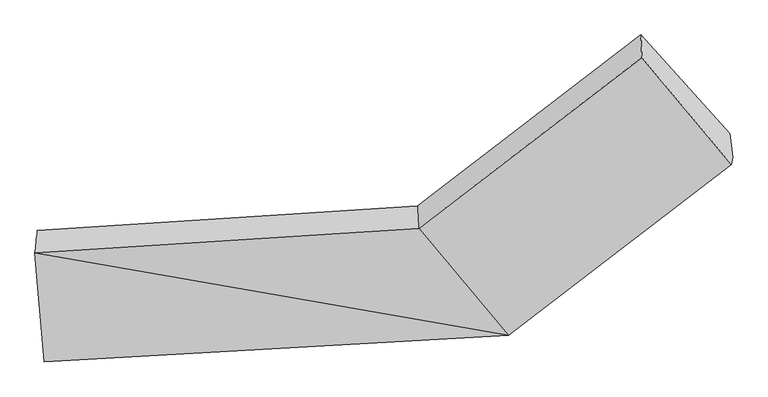
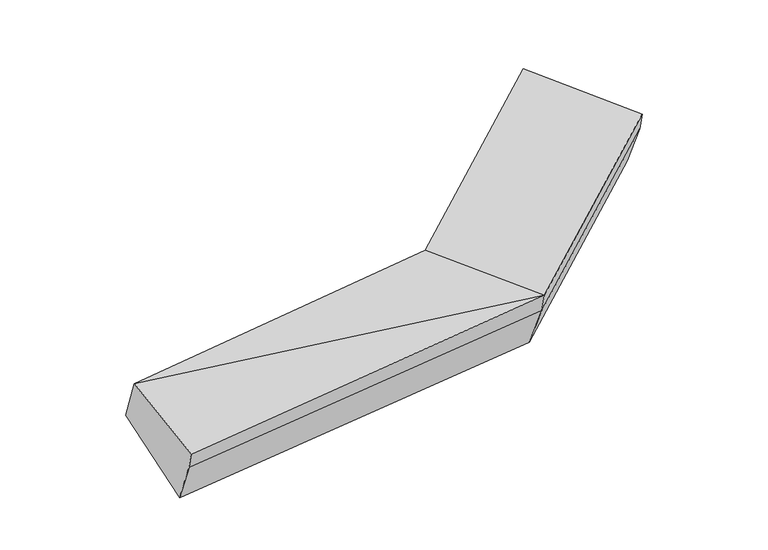
"""IFC4 building model written with IfcOpenShell, lengths in millimetres: proxy geometry."""

from ifc_helpers import new_model, si_unit, frame, origin, place, context, project, spatial, source, transform, mapped, element, save
from ifc_brep_helpers import plane_surface, spline_surface, advanced_brep


def generic_models_b6bdef5c(model_context):
    return source(origin(), model_context, "Body", "AdvancedBrep", [
        advanced_brep(
        [(-2234.0452024, -1696.5303939, 1619.8476285), (-2249.1871246, -1835.6849302, 1970.004007), (128.6066419, -1682.7446501, 2155.3711171), (121.0691348, -1542.0756496, 1792.6822826), (-2190.8672088, -2510.2534057, 1773.5831341), (682.8303903, -2345.3036932, 1987.2891396), (-2184.1632531, -2470.6246111, 1639.4764019), (690.5362507, -2299.752384, 1833.1401856), (-2169.7116271, -2318.5012364, 1286.9006092), (674.4047659, -2152.7496238, 1483.9801987), (2072.6733719, -1240.5404063, 2215.2319643), (2056.5418871, -1093.5376462, 1866.0719774), (1503.2062561, -482.863672, 2174.7740613), (1510.7437631, -623.5326725, 2537.4628958), (2064.9675115, -1286.0917156, 2369.3809183)],
        [
            (0, 1),
            (1, 2),
            (2, 3),
            (3, 0),
            (1, 4),
            (4, 5),
            (5, 1),
            (4, 6),
            (6, 7),
            (7, 5),
            (6, 8),
            (8, 9),
            (9, 7),
            (8, 0),
            (3, 9),
            (10, 11),
            (11, 12),
            (12, 13),
            (13, 14),
            (14, 10),
            (5, 2),
            (9, 11),
            (10, 7),
            (3, 12),
            (2, 13),
            (5, 14),
        ],
        [
            spline_surface(1, 1, [[(-2234.0452024, -1696.5303939, 1619.8476285), (121.0691348, -1542.0756496, 1792.6822826)], [(-2249.1871246, -1835.6849302, 1970.004007), (128.6066419, -1682.7446501, 2155.3711171)]], [2, 2], [2, 2], [0.0, 1.0], [0.0, 1.0]),
            plane_surface(frame((-2220.0271667, -2172.9691679, 1871.7935705), z_axis=(-0.05492349569389091, -0.2835217611563525, 0.9573916756331045), x_axis=(0.0827232847830855, -0.9568347170303859, -0.2786111671130177))),
            plane_surface(frame((-2187.515231, -2490.4390084, 1706.529768), z_axis=(0.07570248815438002, -0.9572755913616696, -0.279092413853193), x_axis=(0.04788539769124435, 0.2830628181488933, -0.9579052300042828))),
            spline_surface(1, 1, [[(-2184.1632531, -2470.6246111, 1639.4764019), (690.5362507, -2299.752384, 1833.1401856)], [(-2169.7116271, -2318.5012364, 1286.9006092), (674.4047659, -2152.7496238, 1483.9801987)]], [2, 2], [2, 2], [0.0, 1.0], [0.0, 1.0]),
            spline_surface(1, 1, [[(-2169.7116271, -2318.5012364, 1286.9006092), (674.4047659, -2152.7496238, 1483.9801987)], [(-2234.0452024, -1696.5303939, 1619.8476285), (121.0691348, -1542.0756496, 1792.6822826)]], [2, 2], [2, 2], [0.0, 1.0], [0.0, 1.0]),
            plane_surface(frame((1841.626558, -945.3132225, 2232.5843634), z_axis=(0.775280148628894, 0.594142221387545, 0.21432618110402052), x_axis=(-0.042542300932273576, 0.3876788624994891, -0.9208122784816078))),
            plane_surface(frame((-2205.5948832, -2166.3189155, 1657.9623561), z_axis=(-0.9954214418238378, -0.06589966059842, -0.06923429706702547), x_axis=(0.09081444638555769, -0.877985367431841, -0.46999407539165855))),
            plane_surface(frame((-2249.1871246, -1835.6849302, 1970.004007), z_axis=(-0.05589845435879465, -0.28919052108667437, 0.9556381142011423), x_axis=(0.6297997140598731, -0.7529080035079371, -0.19100224716948827))),
            plane_surface(frame((682.4705083, -2226.2510039, 1658.5601922), z_axis=(0.6301831827122462, -0.7047695512263465, -0.3258359033177255), x_axis=(-0.042542300932273576, 0.3876788624994891, -0.9208122784816078))),
            plane_surface(frame((397.7369504, -1847.4126367, 1638.3312407), z_axis=(-0.05969263758694074, 0.40673285245221846, -0.9115948528562434), x_axis=(-0.6287904898770897, 0.6939476979576878, 0.35079782259779657))),
            plane_surface(frame((124.8378884, -1612.4101499, 1974.0266999), z_axis=(-0.6313203649096686, 0.718530351781153, 0.29180255382634246), x_axis=(0.01937235123237585, -0.3615372101650505, 0.9321564019378945))),
            plane_surface(frame((405.7185161, -2014.0241717, 2071.3301284), z_axis=(-0.0478853976912446, -0.28306281814889234, 0.9579052300042833), x_axis=(0.6297997140598732, -0.7529080035079371, -0.19100224716948827))),
            plane_surface(frame((686.6833205, -2322.5280386, 1910.2146626), z_axis=(0.6297997140598712, -0.7529080035079383, -0.19100224716949024), x_axis=(0.0478853976912435, 0.2830628181488933, -0.9579052300042828))),
        ],
        [
            (0, [[1, 2, 3, 4]]),
            (1, [[5, 6, 7]]),
            (2, [[8, 9, 10, -6]]),
            (3, [[11, 12, 13, -9]]),
            (4, [[14, -4, 15, -12]]),
            (5, [[16, 17, 18, 19, 20]]),
            (6, [[-14, -11, -8, -5, -1]]),
            (7, [[21, -2, -7]]),
            (8, [[-13, 22, -16, 23]]),
            (9, [[-15, 24, -17, -22]]),
            (10, [[-3, 25, -18, -24]]),
            (11, [[-21, 26, -19, -25]]),
            (12, [[-10, -23, -20, -26]]),
        ],
    ),
    ])


if __name__ == "__main__":
    model = new_model("IFC4")
    model_context = context("Model", 3, world=origin())
    ifc_project = project(units=[si_unit("LENGTHUNIT", "METRE", prefix="MILLI")], contexts=[model_context])
    site = spatial("IfcSite", under=ifc_project)
    building = spatial("IfcBuilding", under=site)
    placement = place(None, origin())
    generic_models_shape = generic_models_b6bdef5c(model_context)
    element("IfcBuildingElementProxy", 1, Name="Generic Models", at=placement, inside=building, context=model_context, shape_type="MappedRepresentation", body=[
        mapped(generic_models_shape, transform((0.0, 0.0, 0.0), x_axis=(1.0, 0.0, 0.0), y_axis=(0.0, 1.0, 0.0), z_axis=(0.0, 0.0, 1.0))),
    ])
    save(model, "model.ifc")
